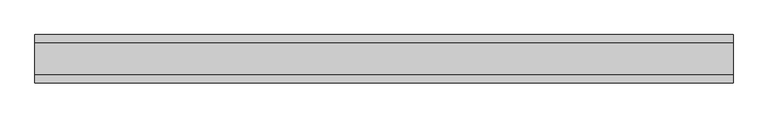
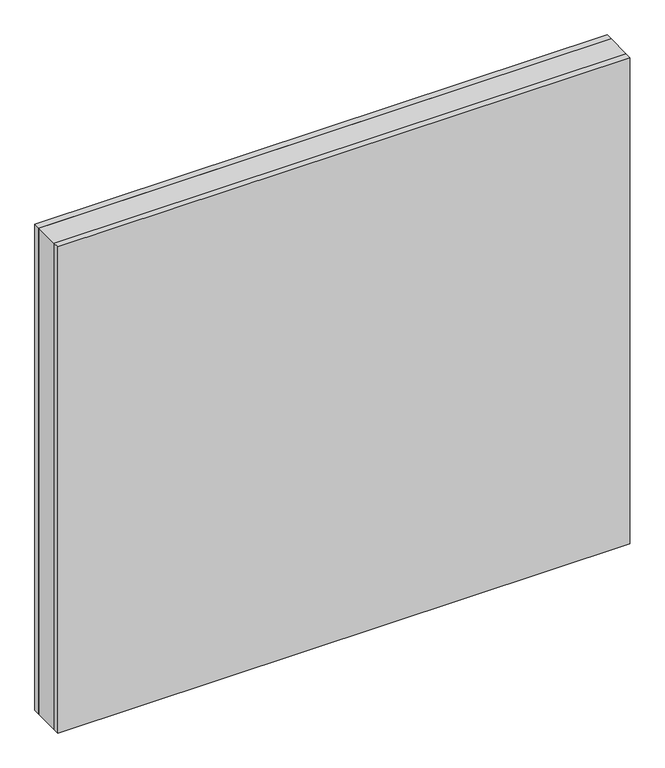
"""IFC4 building model written with IfcOpenShell, lengths in millimetres: plate geometry."""

from ifc_helpers import new_model, si_unit, origin, origin_with_axes, place, context, project, spatial, polyline, outline, extrude, source, transform, mapped, element, save


def plate_8af4b0ee(model_context):
    return source(origin(), model_context, "Body", "SweptSolid", [
        extrude(outline(polyline([(539.6875001, 24.2), (539.6875001, -24.2), (-539.6875001, -24.2), (-539.6875001, 24.2), (539.6875001, 24.2)])), origin_with_axes(), (0.0, 0.0, 1.0), 969.5),
        extrude(outline(polyline([(539.6875001, 37.2), (539.6875001, 24.2), (-539.6875001, 24.2), (-539.6875001, 37.2), (539.6875001, 37.2)])), origin_with_axes(), (0.0, 0.0, 1.0), 969.5),
        extrude(outline(polyline([(-539.6875001, -37.2), (-539.6875001, -24.2), (539.6875001, -24.2), (539.6875001, -37.2), (-539.6875001, -37.2)])), origin_with_axes(), (0.0, 0.0, 1.0), 969.5),
    ])


if __name__ == "__main__":
    model = new_model("IFC4")
    model_context = context("Model", 3, world=origin())
    ifc_project = project(units=[si_unit("LENGTHUNIT", "METRE", prefix="MILLI")], contexts=[model_context])
    site = spatial("IfcSite", under=ifc_project)
    building = spatial("IfcBuilding", under=site)
    placement = place(None, origin())
    plate_shape = plate_8af4b0ee(model_context)
    element("IfcPlate", 1, at=placement, inside=building, context=model_context, shape_type="MappedRepresentation", body=[
        mapped(plate_shape, transform((0.0, 0.0, 0.0), x_axis=(1.0, 0.0, 0.0), y_axis=(0.0, 1.0, 0.0), z_axis=(0.0, 0.0, 1.0))),
    ])
    save(model, "model.ifc")
